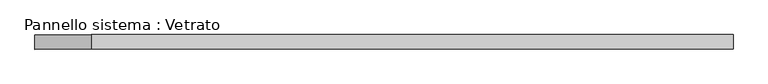
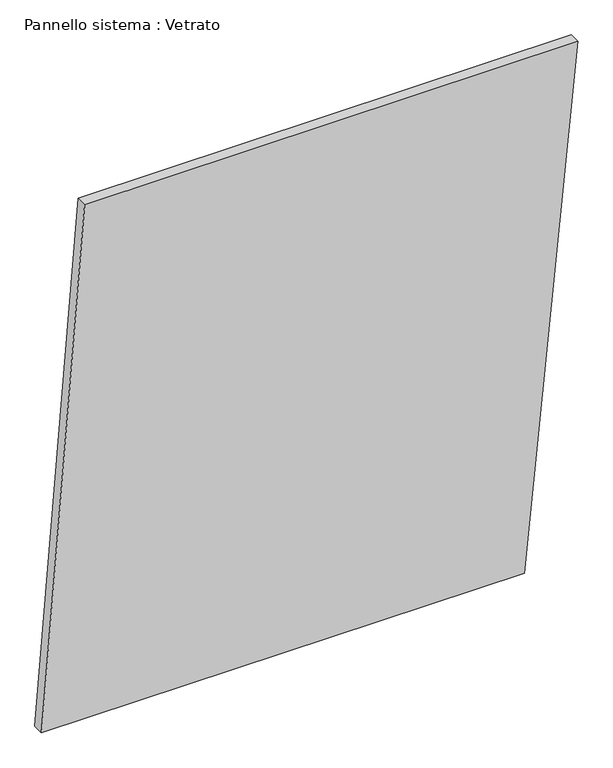
"""IFC4 building model written with IfcOpenShell, lengths in millimetres: plate geometry, Pannello sistema : Vetrato."""

from ifc_helpers import new_model, si_unit, frame, origin, place, context, project, spatial, polyline, outline, extrude, source, transform, mapped, element, save


def pannello_sistema_vetrato_6c7835b5(model_context):
    return source(origin(), model_context, "Body", "SweptSolid", [
        extrude(outline(polyline([(0.8404175, -720.7167417), (0.0, 577.2888398), (1459.2121208, 720.7167417), (1459.2121208, -604.5465531), (0.8404175, -720.7167417)])), frame((0.0, -15.0, 0.0), z_axis=(0.0, 1.0, 0.0), x_axis=(0.0, 0.0, 1.0)), (0.0, 0.0, 1.0), 30.0),
    ])


if __name__ == "__main__":
    model = new_model("IFC4")
    model_context = context("Model", 3, world=origin())
    ifc_project = project(units=[si_unit("LENGTHUNIT", "METRE", prefix="MILLI")], contexts=[model_context])
    site = spatial("IfcSite", under=ifc_project)
    building = spatial("IfcBuilding", under=site)
    placement = place(None, origin())
    pannello_sistema_vetrato_shape = pannello_sistema_vetrato_6c7835b5(model_context)
    element("IfcPlate", 1, ObjectType="Pannello sistema : Vetrato", at=placement, inside=building, context=model_context, shape_type="MappedRepresentation", body=[
        mapped(pannello_sistema_vetrato_shape, transform((0.0, 0.0, 0.0), x_axis=(1.0, 0.0, 0.0), y_axis=(0.0, 1.0, 0.0), z_axis=(0.0, 0.0, 1.0))),
    ])
    save(model, "model.ifc")
